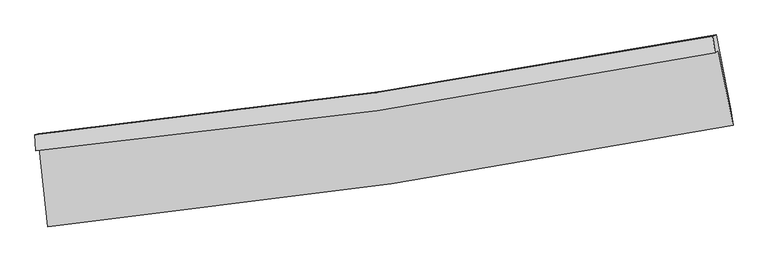
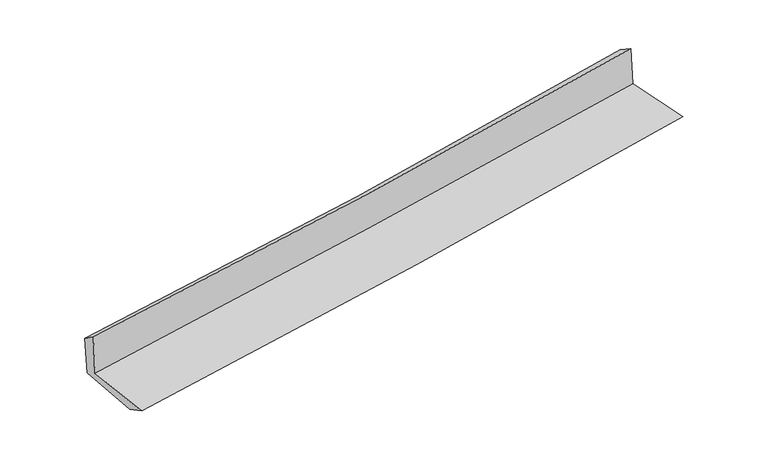
"""IFC4 building model written with IfcOpenShell, lengths in millimetres: proxy geometry."""

from ifc_helpers import new_model, si_unit, frame, origin, place, context, project, spatial, source, transform, mapped, element, save
from ifc_brep_helpers import plane_surface, spline_curve, spline_surface, advanced_brep


def generic_models_3af2a932(model_context):
    return source(origin(), model_context, "Body", "AdvancedBrep", [
        advanced_brep(
        [(-2995.3241863, -1896.2512081, 1614.4064104), (-2921.7683109, -2586.3768391, 1603.4686456), (3069.2565792, -1699.5930059, 2125.6113388), (2941.6166479, -1047.3694406, 2123.8444342), (-3026.2180064, -1921.3693922, 2029.7405503), (2911.2629179, -1062.4648745, 2519.4201699), (-3033.2188763, -1779.792026, 1931.813938), (2890.5185266, -917.7074882, 2428.9603247), (-3002.8869801, -1770.0105633, 1543.4382356), (2921.2921595, -907.8594419, 2040.6071009), (-2934.0291806, -2402.0052604, 1514.8746171), (3050.899498, -1558.602931, 2015.5671989)],
        [
            (0, 1),
            (1, 2, spline_curve(3, [(-2921.7683109, -2586.3768391, 1603.4686456), (-1917.884049471, -2481.332881794, 1708.692008796), (-916.308966734, -2354.839184415, 1804.841981796), (1080.692261144, -2059.178914564, 1978.861771958), (2076.125475416, -1890.078000717, 2056.759363417), (3069.2565792, -1699.5930059, 2125.6113388)], [4, 2, 4], [0.0, 9.934302659254334, 19.8533889192301])),
            (2, 3),
            (3, 0, spline_curve(3, [(2941.6166479, -1047.3694406, 2123.8444342), (1957.342492966, -1238.921325062, 2072.489062401), (970.841245765, -1405.402426478, 2004.40357798), (-1008.132194366, -1688.439994377, 1834.642272239), (-2000.611225071, -1804.919481995, 1732.915082114), (-2995.3241863, -1896.2512081, 1614.4064104)], [4, 2, 4], [0.0, 9.919086259975765, 19.8533889192301])),
            (4, 0),
            (3, 5),
            (5, 4, spline_curve(3, [(2911.2629179, -1062.4648745, 2519.4201699), (1928.434337156, -1257.942972046, 2458.463151157), (942.611492221, -1427.222633804, 2387.217174339), (-1036.539621999, -1713.604581112, 2224.022226189), (-2029.877085399, -1830.626425114, 2132.041663228), (-3026.2180064, -1921.3693922, 2029.7405503)], [4, 2, 4], [0.0, 9.871113231313581, 19.757369268760193])),
            (6, 4),
            (5, 7),
            (7, 6, spline_curve(3, [(2890.5185266, -917.7074882, 2428.9603247), (1910.119069612, -1104.610633673, 2350.701139346), (926.655256162, -1269.864129246, 2270.176171784), (-1047.914469187, -1557.292116395, 2104.467666257), (-2039.029790052, -1679.400133479, 2019.27717169), (-3033.2188763, -1779.792026, 1931.813938)], [4, 2, 4], [0.0, 9.859852901047686, 19.734831334290377])),
            (8, 6),
            (7, 9),
            (9, 8, spline_curve(3, [(2921.2921595, -907.8594419, 2040.6071009), (1940.815937105, -1094.777541998, 1962.348492533), (957.276956472, -1260.044060459, 1881.821943156), (-1017.440019155, -1547.494247997, 1716.105951548), (-2008.627418778, -1669.611436464, 1630.909545941), (-3002.8869801, -1770.0105633, 1543.4382356)], [4, 2, 4], [0.0, 9.849219110440812, 19.713547440283346])),
            (10, 8),
            (9, 11),
            (11, 10, spline_curve(3, [(3050.899498, -1558.602931, 2015.5671989), (2058.154728671, -1733.853091024, 1937.023439224), (1063.422068745, -1891.721163278, 1856.061012223), (-931.548053817, -2172.908644, 1689.170911198), (-1931.791620252, -2296.174681586, 1603.235811395), (-2934.0291806, -2402.0052604, 1514.8746171)], [4, 2, 4], [0.0, 9.896207188099023, 19.807595677778735])),
            (1, 10),
            (11, 2),
        ],
        [
            spline_surface(3, 3, [[(-2995.3241863, -1896.2512081, 1614.4064104), (-2000.611225098, -1804.919482131, 1732.915082238), (-1008.132194233, -1688.439994407, 1834.64227236), (970.841245631, -1405.402426448, 2004.40357786), (1957.342492851, -1238.921325, 2072.48906231), (2941.6166479, -1047.3694406, 2123.8444342)], [(-2970.80556116, -2126.293085121, 1610.760488818), (-1973.035499841, -2030.390615405, 1724.840724425), (-977.524451794, -1910.573057758, 1824.708842146), (1007.45825083, -1623.327922443, 1995.889642547), (1996.936820408, -1455.973550275, 2067.245829324), (2984.16329166, -1264.777295691, 2124.433402395)], [(-2946.28693604, -2356.334962079, 1607.114567182), (-1945.459774603, -2255.861748615, 1716.766366559), (-946.916709305, -2132.706121152, 1814.775411989), (1044.075256078, -1841.253418482, 1987.375707292), (2036.531147985, -1673.025775577, 2062.002596354), (3026.70993544, -1482.185150809, 2125.022370605)], [(-2921.7683109, -2586.3768391, 1603.4686456), (-1917.884049345, -2481.332881889, 1708.692008746), (-916.308966867, -2354.839184502, 1804.841981775), (1080.692261277, -2059.178914477, 1978.861771979), (2076.125475542, -1890.078000852, 2056.759363368), (3069.2565792, -1699.5930059, 2125.6113388)]], [4, 4], [4, 2, 4], [0.0, 2.192671337961413], [0.0, 9.934302659254334, 19.8533889192301]),
            spline_surface(3, 3, [[(-3026.2180064, -1921.3693922, 2029.7405503), (-2029.877085433, -1830.626424985, 2132.041663135), (-1036.53962206, -1713.604581007, 2224.022226245), (942.611492283, -1427.222633909, 2387.217174283), (1928.434337, -1257.942971973, 2458.463151063), (2911.2629179, -1062.4648745, 2519.4201699)], [(-3015.920066351, -1912.996664167, 1891.295836987), (-2020.121798639, -1822.057444034, 1998.999469489), (-1027.070479449, -1705.216385464, 2094.228908281), (952.021410068, -1419.949231412, 2259.61264214), (1938.070388952, -1251.602422978, 2329.805121491), (2921.380827902, -1057.433063196, 2387.561591346)], [(-3005.622126349, -1904.623936133, 1752.851123713), (-2010.366511892, -1813.488463082, 1865.957275883), (-1017.601336844, -1696.828189951, 1964.435590324), (961.431327846, -1412.675828945, 2132.008110003), (1947.706440899, -1245.261873995, 2201.147091882), (2931.498737898, -1052.401251904, 2255.703012754)], [(-2995.3241863, -1896.2512081, 1614.4064104), (-2000.611225098, -1804.919482131, 1732.915082238), (-1008.132194233, -1688.439994407, 1834.64227236), (970.841245631, -1405.402426448, 2004.40357786), (1957.342492851, -1238.921325, 2072.48906231), (2941.6166479, -1047.3694406, 2123.8444342)]], [4, 4], [4, 2, 4], [0.0, 1.2724777956332465], [0.0, 9.886256037446612, 19.757369268760193]),
            spline_surface(3, 3, [[(-3033.2188763, -1779.792026, 1931.813938), (-2039.029790126, -1679.40013336, 2019.277171826), (-1047.914469171, -1557.292116283, 2104.467666397), (926.655256146, -1269.864129358, 2270.176171644), (1910.1190695, -1104.610633787, 2350.701139298), (2890.5185266, -917.7074882, 2428.9603247)], [(-3030.885253007, -1826.9844814, 1964.4561421), (-2035.978888568, -1729.808897235, 2056.865335595), (-1044.12285345, -1609.396271192, 2144.31918636), (931.974001543, -1322.316964209, 2309.189839204), (1916.224158669, -1155.721413165, 2386.621809871), (2897.433323703, -965.959950283, 2459.113606418)], [(-3028.551629693, -1874.1769368, 1997.0983462), (-2032.92798699, -1780.21766111, 2094.453499365), (-1040.331237782, -1661.500426099, 2184.170706282), (937.292746886, -1374.769799058, 2348.203506723), (1922.329247831, -1206.832192595, 2422.54248049), (2904.348120797, -1014.212412417, 2489.266888182)], [(-3026.2180064, -1921.3693922, 2029.7405503), (-2029.877085433, -1830.626424985, 2132.041663135), (-1036.53962206, -1713.604581007, 2224.022226245), (942.611492283, -1427.222633909, 2387.217174283), (1928.434337, -1257.942971973, 2458.463151063), (2911.2629179, -1062.4648745, 2519.4201699)]], [4, 4], [4, 2, 4], [0.0, 0.646072134085096], [0.0, 9.87497843324269, 19.734831334290377]),
            spline_surface(3, 3, [[(-3002.8869801, -1770.0105633, 1543.4382356), (-2008.627418661, -1669.611436399, 1630.909545881), (-1017.440019234, -1547.494247929, 1716.105951598), (957.276956551, -1260.044060527, 1881.821943106), (1940.815937012, -1094.777541844, 1962.348492437), (2921.2921595, -907.8594419, 2040.6071009)], [(-3012.997612186, -1773.271050855, 1672.896803082), (-2018.761542503, -1672.874335374, 1760.365421211), (-1027.59816923, -1550.760204072, 1845.55985652), (947.069723066, -1263.317416829, 2011.273352607), (1930.583647828, -1098.05523916, 2091.799374718), (2911.034281854, -911.142124002, 2170.058175494)], [(-3023.108244214, -1776.531538445, 1802.355370518), (-2028.895666285, -1676.137234385, 1889.821296495), (-1037.756319175, -1554.02616014, 1975.013761476), (936.862489631, -1266.590773056, 2140.724762143), (1920.351358684, -1101.332936471, 2221.250257018), (2900.776404246, -914.424806098, 2299.509250106)], [(-3033.2188763, -1779.792026, 1931.813938), (-2039.029790126, -1679.40013336, 2019.277171826), (-1047.914469171, -1557.292116283, 2104.467666397), (926.655256146, -1269.864129358, 2270.176171644), (1910.1190695, -1104.610633787, 2350.701139298), (2890.5185266, -917.7074882, 2428.9603247)]], [4, 4], [4, 2, 4], [0.0, 1.2784810989658624], [0.0, 9.864328329842534, 19.713547440283346]),
            spline_surface(3, 3, [[(-2934.0291806, -2402.0052604, 1514.8746171), (-1931.791620087, -2296.174681734, 1603.235811282), (-931.548053763, -2172.908644023, 1689.170911279), (1063.42206869, -1891.721163255, 1856.061012143), (2058.15472859, -1733.853091147, 1937.023439381), (3050.899498, -1558.602931, 2015.5671989)], [(-2956.981780424, -2191.340361364, 1524.395823257), (-1957.403552936, -2087.320266619, 1612.460389472), (-960.178708912, -1964.437178651, 1698.149258048), (1028.040364652, -1681.162129005, 1864.647989127), (2019.041798075, -1520.827908043, 1945.465123733), (3007.697051844, -1341.688434631, 2023.9138329)], [(-2979.934380276, -1980.675462336, 1533.917029443), (-1983.015485813, -1878.465851514, 1621.684967691), (-988.809364085, -1755.965713301, 1707.127604828), (992.658660589, -1470.603094777, 1873.234966121), (1979.928867527, -1307.802724947, 1953.906808086), (2964.494605656, -1124.773938269, 2032.2604669)], [(-3002.8869801, -1770.0105633, 1543.4382356), (-2008.627418661, -1669.611436399, 1630.909545881), (-1017.440019234, -1547.494247929, 1716.105951598), (957.276956551, -1260.044060527, 1881.821943106), (1940.815937012, -1094.777541844, 1962.348492437), (2921.2921595, -907.8594419, 2040.6071009)]], [4, 4], [4, 2, 4], [0.0, 2.0878481929707444], [0.0, 9.911388489679712, 19.807595677778735]),
            spline_surface(3, 3, [[(-2921.7683109, -2586.3768391, 1603.4686456), (-1917.884049345, -2481.332881889, 1708.692008746), (-916.308966867, -2354.839184502, 1804.841981775), (1080.692261277, -2059.178914477, 1978.861771979), (2076.125475542, -1890.078000852, 2056.759363368), (3069.2565792, -1699.5930059, 2125.6113388)], [(-2925.855267472, -2524.919646194, 1573.937302756), (-1922.519906264, -2419.613481831, 1673.539942915), (-921.388662493, -2294.195671016, 1766.284958298), (1074.93553042, -2003.359664076, 1937.928185389), (2070.135226563, -1838.003030981, 2016.84738872), (3063.137552138, -1652.596314298, 2088.929958848)], [(-2929.942224028, -2463.462453306, 1544.405959944), (-1927.155763168, -2357.894081792, 1638.387877114), (-926.468358136, -2233.55215751, 1727.727934755), (1069.178799547, -1947.540413656, 1896.994598732), (2064.14497757, -1785.928061017, 1976.935414029), (3057.018525062, -1605.599622602, 2052.248578852)], [(-2934.0291806, -2402.0052604, 1514.8746171), (-1931.791620087, -2296.174681734, 1603.235811282), (-931.548053763, -2172.908644023, 1689.170911279), (1063.42206869, -1891.721163255, 1856.061012143), (2058.15472859, -1733.853091147, 1937.023439381), (3050.899498, -1558.602931, 2015.5671989)]], [4, 4], [4, 2, 4], [0.0, 0.6959865377591382], [0.0, 9.970193202582731, 19.925115032240896]),
            plane_surface(frame((2964.1410548, -1198.9328637, 2209.0017612), z_axis=(0.9780078621233766, 0.19161891931674663, 0.08235782527935429), x_axis=(-0.07896849973560859, -0.02527116131016929, 0.996556744222597))),
            plane_surface(frame((-2985.5742568, -2059.3008815, 1706.2903995), z_axis=(-0.991309792546385, -0.10438837663343471, -0.08004974719185302), x_axis=(-0.10596986928605955, 0.9942444773806771, 0.015757728310889885))),
        ],
        [
            (0, [[1, 2, 3, 4]]),
            (1, [[5, -4, 6, 7]]),
            (2, [[8, -7, 9, 10]]),
            (3, [[11, -10, 12, 13]]),
            (4, [[14, -13, 15, 16]]),
            (5, [[17, -16, 18, -2]]),
            (6, [[-12, -9, -6, -3, -18, -15]]),
            (7, [[-1, -5, -8, -11, -14, -17]]),
        ],
    ),
    ])


if __name__ == "__main__":
    model = new_model("IFC4")
    model_context = context("Model", 3, world=origin())
    ifc_project = project(units=[si_unit("LENGTHUNIT", "METRE", prefix="MILLI")], contexts=[model_context])
    site = spatial("IfcSite", under=ifc_project)
    building = spatial("IfcBuilding", under=site)
    placement = place(None, origin())
    generic_models_shape = generic_models_3af2a932(model_context)
    element("IfcBuildingElementProxy", 1, Name="Generic Models", at=placement, inside=building, context=model_context, shape_type="MappedRepresentation", body=[
        mapped(generic_models_shape, transform((0.0, 0.0, 0.0), x_axis=(1.0, 0.0, 0.0), y_axis=(0.0, 1.0, 0.0), z_axis=(0.0, 0.0, 1.0))),
    ])
    save(model, "model.ifc")
